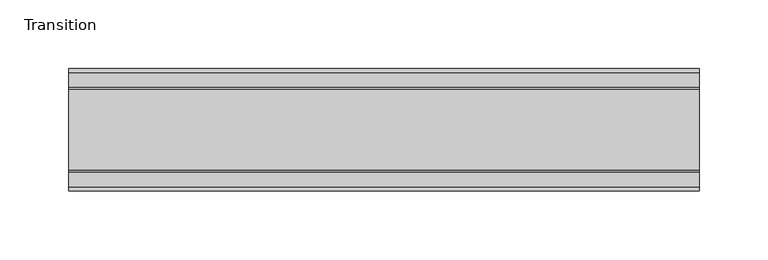
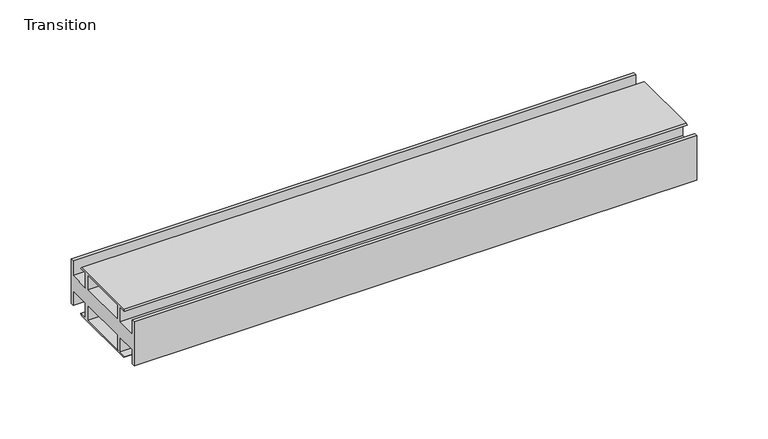
"""IFC4 building model written with IfcOpenShell, lengths in millimetres: furniture geometry, Transition."""

from ifc_helpers import new_model, si_unit, frame, origin, place, context, project, spatial, polyline, outline, extrude, source, transform, mapped, element, save


def transition_dccf135c(model_context):
    return source(origin(), model_context, "Body", "SweptSolid", [
        extrude(outline(polyline([(-26.1481963, 6.6000002), (-8.7481957, 6.6000002), (-8.7481957, 19.05), (-5.4481956, 19.05), (-5.4481956, 6.6000002), (36.4518057, 6.6000002), (36.4518057, 19.4924102), (-15.1141535, 19.4924102), (-13.9690637, 20.6375), (44.9726737, 20.6375), (46.1177636, 19.4924102), (39.7518058, 19.4924102), (39.7518058, 6.6000002), (57.1518064, 6.6000002), (57.1518064, 19.05), (59.951805, 19.05), (59.951805, -19.05), (57.1518064, -19.05), (57.1518064, -6.6000002), (39.7518058, -6.6000002), (39.7518058, -19.4924102), (46.1177636, -19.4924102), (44.9726737, -20.6375), (-13.9690637, -20.6375), (-15.1141535, -19.4924102), (36.4518057, -19.4924102), (36.4518057, -6.6000002), (-5.4481956, -6.6000002), (-5.4481956, -19.05), (-8.7481957, -19.05), (-8.7481957, -6.6000002), (-26.1481963, -6.6000002), (-26.1481963, -19.05), (-28.948195, -19.05), (-28.948195, 19.05), (-26.1481963, 19.05), (-26.1481963, 6.6000002)])), frame((-198.6228469, 0.0, 0.0), z_axis=(1.0, 0.0, 0.0), x_axis=(0.0, 1.0, 0.0)), (0.0, 0.0, 1.0), 457.2),
    ])


if __name__ == "__main__":
    model = new_model("IFC4")
    model_context = context("Model", 3, world=origin())
    ifc_project = project(units=[si_unit("LENGTHUNIT", "METRE", prefix="MILLI")], contexts=[model_context])
    site = spatial("IfcSite", under=ifc_project)
    building = spatial("IfcBuilding", under=site)
    placement = place(None, origin())
    transition_shape = transition_dccf135c(model_context)
    element("IfcFurniture", 1, ObjectType="Transition", at=placement, inside=building, context=model_context, shape_type="MappedRepresentation", body=[
        mapped(transition_shape, transform((0.0, 0.0, 0.0), x_axis=(1.0, 0.0, 0.0), y_axis=(0.0, 1.0, 0.0), z_axis=(0.0, 0.0, 1.0))),
    ])
    save(model, "model.ifc")
